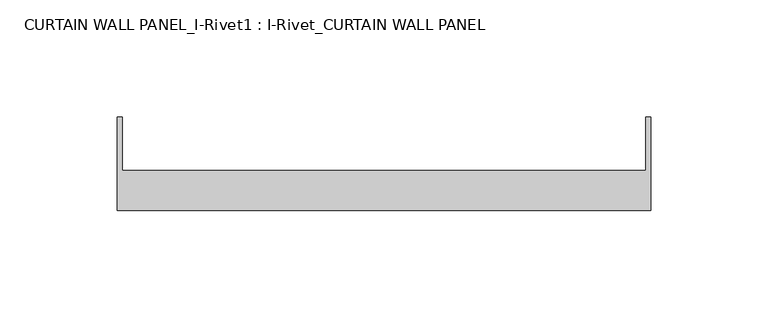
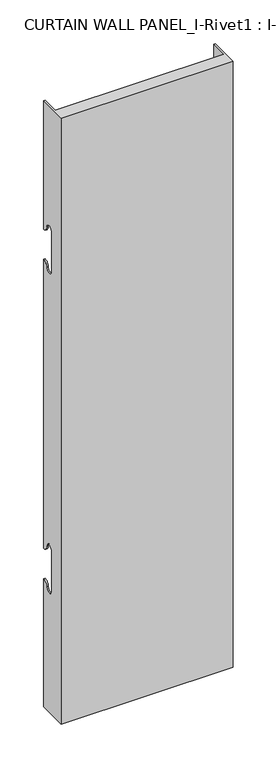
"""IFC4 building model written with IfcOpenShell, lengths in millimetres: plate geometry, CURTAIN WALL PANEL_I-Rivet1 : I-Rivet_CURTAIN WALL PANEL."""

from ifc_helpers import new_model, si_unit, frame, origin, place, context, project, spatial, polyline, circle_curve, source, transform, mapped, element, save
from ifc_brep_helpers import plane_surface, cylinder_surface, revolved_surface, advanced_brep


def curtain_wall_panel_i_rivet1_i_rivet_curtain_wall_panel_54f519bf(model_context):
    return source(origin(), model_context, "Body", "AdvancedBrep", [
        advanced_brep(
        [(-113.4628604, -85.0, 845.0), (113.4628604, -85.0, 845.0), (113.4628604, -45.3384103, 845.0), (111.4628604, -45.3384103, 845.0), (111.4628604, -68.0, 845.0), (-111.4628604, -68.0, 845.0), (-111.4628604, -45.3384103, 845.0), (-113.4628604, -45.3384103, 845.0), (-113.4628604, -85.0, 0.0), (-113.4628604, -45.3384103, 0.0), (-111.4628604, -45.3384103, 0.0), (-111.4628604, -68.0, 0.0), (111.4628604, -68.0, 0.0), (111.4628604, -45.3384103, 0.0), (113.4628604, -45.3384103, 0.0), (113.4628604, -85.0, 0.0), (-113.4628604, -45.3384103, 666.0), (-113.4628604, -52.3384103, 673.0), (-113.4628604, -63.3384103, 673.0), (-113.4628604, -63.3384103, 617.0), (-113.4628604, -52.3384103, 617.0), (-113.4628604, -45.3384103, 624.0), (-113.4628604, -45.3384103, 221.0), (-113.4628604, -52.3384103, 228.0), (-113.4628604, -63.3384103, 228.0), (-113.4628604, -63.3384103, 172.0), (-113.4628604, -52.3384103, 172.0), (-113.4628604, -45.3384103, 179.0), (-111.4628604, -45.3384103, 179.0), (-111.4628604, -45.3384103, 624.0), (-111.4628604, -45.3384103, 221.0), (-111.4628604, -45.3384103, 666.0), (113.4628604, -45.3384103, 666.0), (111.4628604, -45.3384103, 666.0), (111.4628604, -45.3384103, 179.0), (113.4628604, -45.3384103, 179.0), (111.4628604, -45.3384103, 221.0), (111.4628604, -45.3384103, 624.0), (113.4628604, -45.3384103, 624.0), (113.4628604, -45.3384103, 221.0), (113.4628604, -52.3384103, 172.0), (113.4628604, -63.3384103, 172.0), (113.4628604, -63.3384103, 228.0), (113.4628604, -52.3384103, 228.0), (113.4628604, -52.3384103, 617.0), (113.4628604, -63.3384103, 617.0), (113.4628604, -63.3384103, 673.0), (113.4628604, -52.3384103, 673.0), (-111.4628604, -52.3384103, 172.0), (-111.4628604, -63.3384103, 172.0), (-111.4628604, -63.3384103, 228.0), (-111.4628604, -52.3384103, 228.0), (-111.4628604, -52.3384103, 617.0), (-111.4628604, -63.3384103, 617.0), (-111.4628604, -63.3384103, 673.0), (-111.4628604, -52.3384103, 673.0), (111.4628604, -52.3384103, 673.0), (111.4628604, -63.3384103, 673.0), (111.4628604, -63.3384103, 617.0), (111.4628604, -52.3384103, 617.0), (111.4628604, -52.3384103, 228.0), (111.4628604, -63.3384103, 228.0), (111.4628604, -63.3384103, 172.0), (111.4628604, -52.3384103, 172.0)],
        [
            (0, 1),
            (1, 2),
            (2, 3),
            (3, 4),
            (4, 5),
            (5, 6),
            (6, 7),
            (7, 0),
            (8, 9),
            (9, 10),
            (10, 11),
            (11, 12),
            (12, 13),
            (13, 14),
            (14, 15),
            (15, 8),
            (7, 16),
            (16, 17, circle_curve(frame((-113.4628604, -45.3384103, 673.0), z_axis=(-1.0, 0.0, 0.0), x_axis=(0.0, -1.0, 0.0)), 7.0)),
            (17, 18, circle_curve(frame((-113.4628604, -57.8384103, 673.0), z_axis=(1.0, 0.0, 0.0), x_axis=(0.0, -1.0, 0.0)), 5.5)),
            (18, 19),
            (19, 20, circle_curve(frame((-113.4628604, -57.8384103, 617.0), z_axis=(1.0, 0.0, 0.0), x_axis=(0.0, -1.0, 0.0)), 5.5)),
            (20, 21, circle_curve(frame((-113.4628604, -45.3384103, 617.0), z_axis=(-1.0, 0.0, 0.0), x_axis=(0.0, -1.0, 0.0)), 7.0)),
            (21, 22),
            (22, 23, circle_curve(frame((-113.4628604, -45.3384103, 228.0), z_axis=(-1.0, 0.0, 0.0), x_axis=(0.0, -1.0, 0.0)), 7.0)),
            (23, 24, circle_curve(frame((-113.4628604, -57.8384103, 228.0), z_axis=(1.0, 0.0, 0.0), x_axis=(0.0, -1.0, 0.0)), 5.5)),
            (24, 25),
            (25, 26, circle_curve(frame((-113.4628604, -57.8384103, 172.0), z_axis=(1.0, 0.0, 0.0), x_axis=(0.0, -1.0, 0.0)), 5.5)),
            (26, 27, circle_curve(frame((-113.4628604, -45.3384103, 172.0), z_axis=(-1.0, 0.0, 0.0), x_axis=(0.0, -1.0, 0.0)), 7.0)),
            (27, 9),
            (8, 0),
            (27, 28),
            (28, 10),
            (21, 29),
            (29, 30),
            (30, 22),
            (6, 31),
            (31, 16),
            (2, 32),
            (32, 33),
            (33, 3),
            (13, 34),
            (34, 35),
            (35, 14),
            (36, 37),
            (37, 38),
            (38, 39),
            (39, 36),
            (1, 15),
            (35, 40, circle_curve(frame((113.4628604, -45.3384103, 172.0), z_axis=(1.0, 0.0, 0.0), x_axis=(0.0, -1.0, 0.0)), 7.0)),
            (40, 41, circle_curve(frame((113.4628604, -57.8384103, 172.0), z_axis=(-1.0, 0.0, 0.0), x_axis=(0.0, -1.0, 0.0)), 5.5)),
            (41, 42),
            (42, 43, circle_curve(frame((113.4628604, -57.8384103, 228.0), z_axis=(-1.0, 0.0, 0.0), x_axis=(0.0, -1.0, 0.0)), 5.5)),
            (43, 39, circle_curve(frame((113.4628604, -45.3384103, 228.0), z_axis=(1.0, 0.0, 0.0), x_axis=(0.0, -1.0, 0.0)), 7.0)),
            (38, 44, circle_curve(frame((113.4628604, -45.3384103, 617.0), z_axis=(1.0, 0.0, 0.0), x_axis=(0.0, -1.0, 0.0)), 7.0)),
            (44, 45, circle_curve(frame((113.4628604, -57.8384103, 617.0), z_axis=(-1.0, 0.0, 0.0), x_axis=(0.0, -1.0, 0.0)), 5.5)),
            (45, 46),
            (46, 47, circle_curve(frame((113.4628604, -57.8384103, 673.0), z_axis=(-1.0, 0.0, 0.0), x_axis=(0.0, -1.0, 0.0)), 5.5)),
            (47, 32, circle_curve(frame((113.4628604, -45.3384103, 673.0), z_axis=(1.0, 0.0, 0.0), x_axis=(0.0, -1.0, 0.0)), 7.0)),
            (5, 11),
            (28, 48, circle_curve(frame((-111.4628604, -45.3384103, 172.0), z_axis=(1.0, 0.0, 0.0), x_axis=(0.0, -1.0, 0.0)), 7.0)),
            (48, 49, circle_curve(frame((-111.4628604, -57.8384103, 172.0), z_axis=(-1.0, 0.0, 0.0), x_axis=(0.0, -1.0, 0.0)), 5.5)),
            (49, 50),
            (50, 51, circle_curve(frame((-111.4628604, -57.8384103, 228.0), z_axis=(-1.0, 0.0, 0.0), x_axis=(0.0, -1.0, 0.0)), 5.5)),
            (51, 30, circle_curve(frame((-111.4628604, -45.3384103, 228.0), z_axis=(1.0, 0.0, 0.0), x_axis=(0.0, -1.0, 0.0)), 7.0)),
            (29, 52, circle_curve(frame((-111.4628604, -45.3384103, 617.0), z_axis=(1.0, 0.0, 0.0), x_axis=(0.0, -1.0, 0.0)), 7.0)),
            (52, 53, circle_curve(frame((-111.4628604, -57.8384103, 617.0), z_axis=(-1.0, 0.0, 0.0), x_axis=(0.0, -1.0, 0.0)), 5.5)),
            (53, 54),
            (54, 55, circle_curve(frame((-111.4628604, -57.8384103, 673.0), z_axis=(-1.0, 0.0, 0.0), x_axis=(0.0, -1.0, 0.0)), 5.5)),
            (55, 31, circle_curve(frame((-111.4628604, -45.3384103, 673.0), z_axis=(1.0, 0.0, 0.0), x_axis=(0.0, -1.0, 0.0)), 7.0)),
            (33, 56, circle_curve(frame((111.4628604, -45.3384103, 673.0), z_axis=(-1.0, 0.0, 0.0), x_axis=(0.0, -1.0, 0.0)), 7.0)),
            (56, 57, circle_curve(frame((111.4628604, -57.8384103, 673.0), z_axis=(1.0, 0.0, 0.0), x_axis=(0.0, -1.0, 0.0)), 5.5)),
            (57, 58),
            (58, 59, circle_curve(frame((111.4628604, -57.8384103, 617.0), z_axis=(1.0, 0.0, 0.0), x_axis=(0.0, -1.0, 0.0)), 5.5)),
            (59, 37, circle_curve(frame((111.4628604, -45.3384103, 617.0), z_axis=(-1.0, 0.0, 0.0), x_axis=(0.0, -1.0, 0.0)), 7.0)),
            (36, 60, circle_curve(frame((111.4628604, -45.3384103, 228.0), z_axis=(-1.0, 0.0, 0.0), x_axis=(0.0, -1.0, 0.0)), 7.0)),
            (60, 61, circle_curve(frame((111.4628604, -57.8384103, 228.0), z_axis=(1.0, 0.0, 0.0), x_axis=(0.0, -1.0, 0.0)), 5.5)),
            (61, 62),
            (62, 63, circle_curve(frame((111.4628604, -57.8384103, 172.0), z_axis=(1.0, 0.0, 0.0), x_axis=(0.0, -1.0, 0.0)), 5.5)),
            (63, 34, circle_curve(frame((111.4628604, -45.3384103, 172.0), z_axis=(-1.0, 0.0, 0.0), x_axis=(0.0, -1.0, 0.0)), 7.0)),
            (12, 4),
            (41, 62),
            (61, 42),
            (49, 25),
            (24, 50),
            (40, 63),
            (48, 26),
            (51, 23),
            (43, 60),
            (18, 54),
            (53, 19),
            (57, 46),
            (45, 58),
            (17, 55),
            (56, 47),
            (59, 44),
            (20, 52),
        ],
        [
            plane_surface(frame((-113.4628604, -45.3384103, 845.0), z_axis=(0.0, 0.0, 1.0), x_axis=(0.0, 1.0, 0.0))),
            plane_surface(frame((-113.4628604, -45.3384103, 0.0), z_axis=(0.0, 0.0, -1.0), x_axis=(0.0, -1.0, 0.0))),
            plane_surface(frame((-113.4628604, -85.0, 845.0), z_axis=(-1.0, 0.0, 0.0), x_axis=(0.0, 0.0, -1.0))),
            plane_surface(frame((-113.4628604, -45.3384103, 845.0), z_axis=(0.0, 1.0, 0.0), x_axis=(0.0, 0.0, -1.0))),
            plane_surface(frame((111.4628604, -45.3384103, 845.0), z_axis=(0.0, 1.0, 0.0), x_axis=(0.0, 0.0, -1.0))),
            plane_surface(frame((113.4628604, -45.3384103, 845.0), z_axis=(1.0, 0.0, 0.0), x_axis=(0.0, 0.0, -1.0))),
            plane_surface(frame((113.4628604, -85.0, 845.0), z_axis=(0.0, -1.0, 0.0), x_axis=(0.0, 0.0, -1.0))),
            plane_surface(frame((-111.4628604, -45.3384103, 845.0), z_axis=(1.0, 0.0, 0.0), x_axis=(0.0, 0.0, -1.0))),
            plane_surface(frame((111.4628604, -68.0, 845.0), z_axis=(-1.0, 0.0, 0.0), x_axis=(0.0, 0.0, -1.0))),
            plane_surface(frame((-112.4628604, -68.0, 845.0), z_axis=(0.0, 1.0, 0.0), x_axis=(0.0, 0.0, -1.0))),
            plane_surface(frame((-113.4628604, -63.3384103, 228.0), z_axis=(0.0, 1.0, 0.0), x_axis=(1.0, 0.0, 0.0))),
            revolved_surface(polyline([(111.4628604, -63.3384103, 172.0), (113.4628604, -63.3384103, 172.0)]), (-113.4628604, -57.8384103, 172.0), (-1.0, 0.0, 0.0)),
            revolved_surface(polyline([(-113.4628604, -63.3384103, 172.0), (-111.4628604, -63.3384103, 172.0)]), (-113.4628604, -57.8384103, 172.0), (-1.0, 0.0, 0.0)),
            cylinder_surface(frame((-113.4628604, -45.3384103, 172.0), z_axis=(1.0, 0.0, 0.0), x_axis=(0.0, -1.0, 0.0)), 7.0),
            cylinder_surface(frame((-113.4628604, -45.3384103, 228.0), z_axis=(1.0, 0.0, 0.0), x_axis=(0.0, -1.0, 0.0)), 7.0),
            revolved_surface(polyline([(-113.4628604, -63.3384103, 228.0), (-111.4628604, -63.3384103, 228.0)]), (-113.4628604, -57.8384103, 228.0), (-1.0, 0.0, 0.0)),
            revolved_surface(polyline([(111.4628604, -63.3384103, 228.0), (113.4628604, -63.3384103, 228.0)]), (-113.4628604, -57.8384103, 228.0), (-1.0, 0.0, 0.0)),
            plane_surface(frame((113.4628604, -63.3384103, 617.0), z_axis=(0.0, 1.0, 0.0), x_axis=(-1.0, 0.0, 0.0))),
            revolved_surface(polyline([(-111.4628604, -63.3384103, 673.0), (-113.4628604, -63.3384103, 673.0)]), (113.4628604, -57.8384103, 673.0), (1.0, 0.0, 0.0)),
            revolved_surface(polyline([(113.4628604, -63.3384103, 673.0), (111.4628604, -63.3384103, 673.0)]), (113.4628604, -57.8384103, 673.0), (1.0, 0.0, 0.0)),
            cylinder_surface(frame((113.4628604, -45.3384103, 673.0), z_axis=(-1.0, 0.0, 0.0), x_axis=(0.0, -1.0, 0.0)), 7.0),
            cylinder_surface(frame((113.4628604, -45.3384103, 617.0), z_axis=(-1.0, 0.0, 0.0), x_axis=(0.0, -1.0, 0.0)), 7.0),
            revolved_surface(polyline([(113.4628604, -63.3384103, 617.0), (111.4628604, -63.3384103, 617.0)]), (113.4628604, -57.8384103, 617.0), (1.0, 0.0, 0.0)),
            revolved_surface(polyline([(-111.4628604, -63.3384103, 617.0), (-113.4628604, -63.3384103, 617.0)]), (113.4628604, -57.8384103, 617.0), (1.0, 0.0, 0.0)),
        ],
        [
            (0, [[1, 2, 3, 4, 5, 6, 7, 8]]),
            (1, [[9, 10, 11, 12, 13, 14, 15, 16]]),
            (2, [[17, 18, 19, 20, 21, 22, 23, 24, 25, 26, 27, 28, 29, -9, 30, -8]]),
            (3, [[-29, 31, 32, -10]]),
            (3, [[-23, 33, 34, 35]]),
            (3, [[36, 37, -17, -7]]),
            (4, [[38, 39, 40, -3]]),
            (4, [[41, 42, 43, -14]]),
            (4, [[44, 45, 46, 47]]),
            (5, [[48, -15, -43, 49, 50, 51, 52, 53, -46, 54, 55, 56, 57, 58, -38, -2]]),
            (6, [[-30, -16, -48, -1]]),
            (7, [[59, -11, -32, 60, 61, 62, 63, 64, -34, 65, 66, 67, 68, 69, -36, -6]]),
            (8, [[-40, 70, 71, 72, 73, 74, -44, 75, 76, 77, 78, 79, -41, -13, 80, -4]]),
            (9, [[-80, -12, -59, -5]]),
            (10, [[-51, 81, -77, 82]]),
            (10, [[-62, 83, -26, 84]]),
            (11, [[-50, 85, -78, -81]]),
            (12, [[-61, 86, -27, -83]]),
            (13, [[-49, -42, -79, -85]]),
            (13, [[-60, -31, -28, -86]]),
            (14, [[-24, -35, -64, 87]]),
            (14, [[-75, -47, -53, 88]]),
            (15, [[-25, -87, -63, -84]]),
            (16, [[-76, -88, -52, -82]]),
            (17, [[-20, 89, -67, 90]]),
            (17, [[-72, 91, -56, 92]]),
            (18, [[-19, 93, -68, -89]]),
            (19, [[-71, 94, -57, -91]]),
            (20, [[-18, -37, -69, -93]]),
            (20, [[-70, -39, -58, -94]]),
            (21, [[-54, -45, -74, 95]]),
            (21, [[-65, -33, -22, 96]]),
            (22, [[-55, -95, -73, -92]]),
            (23, [[-66, -96, -21, -90]]),
        ],
    ),
    ])


if __name__ == "__main__":
    model = new_model("IFC4")
    model_context = context("Model", 3, world=origin())
    ifc_project = project(units=[si_unit("LENGTHUNIT", "METRE", prefix="MILLI")], contexts=[model_context])
    site = spatial("IfcSite", under=ifc_project)
    building = spatial("IfcBuilding", under=site)
    placement = place(None, origin())
    curtain_wall_panel_i_rivet1_i_rivet_curtain_wall_panel_shape = curtain_wall_panel_i_rivet1_i_rivet_curtain_wall_panel_54f519bf(model_context)
    element("IfcPlate", 1, ObjectType="CURTAIN WALL PANEL_I-Rivet1 : I-Rivet_CURTAIN WALL PANEL", at=placement, inside=building, context=model_context, shape_type="MappedRepresentation", body=[
        mapped(curtain_wall_panel_i_rivet1_i_rivet_curtain_wall_panel_shape, transform((0.0, 0.0, 0.0), x_axis=(1.0, 0.0, 0.0), y_axis=(0.0, 1.0, 0.0), z_axis=(0.0, 0.0, 1.0))),
    ])
    save(model, "model.ifc")
